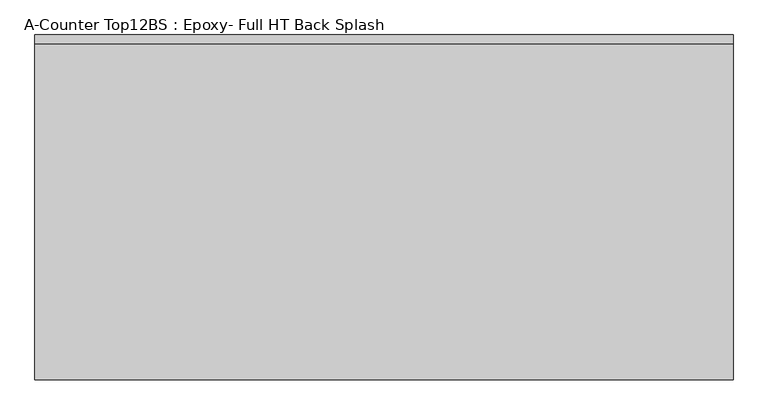
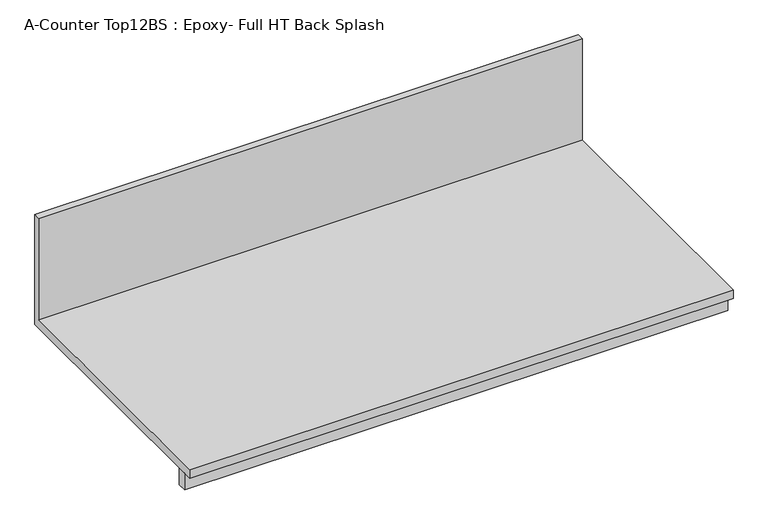
"""IFC4 building model written with IfcOpenShell, lengths in millimetres: furniture geometry, A-Counter Top12BS : Epoxy- Full HT Back Splash."""

from ifc_helpers import new_model, si_unit, frame, origin, place, context, project, spatial, polyline, outline, extrude, source, transform, mapped, element, save


def a_counter_top12bs_epoxy_full_ht_back_splash_ba660549(model_context):
    return source(origin(), model_context, "Body", "SweptSolid", [
        extrude(outline(polyline([(0.0, 1244.6), (0.0, 914.4), (-762.0, 914.4), (-762.0, 939.8), (-19.05, 939.8), (-19.05, 1244.6), (0.0, 1244.6)])), frame((-1327.4622951, 0.0, 0.0), z_axis=(1.0, 0.0, 0.0), x_axis=(0.0, 1.0, 0.0)), (0.0, 0.0, 1.0), 1543.05),
        extrude(outline(polyline([(215.5877049, -711.2), (215.5877049, -736.6), (-1327.4622951, -736.6), (-1327.4622951, -711.2), (215.5877049, -711.2)])), frame((0.0, 0.0, 863.6), z_axis=(0.0, 0.0, 1.0), x_axis=(1.0, 0.0, 0.0)), (0.0, 0.0, 1.0), 50.8),
    ])


if __name__ == "__main__":
    model = new_model("IFC4")
    model_context = context("Model", 3, world=origin())
    ifc_project = project(units=[si_unit("LENGTHUNIT", "METRE", prefix="MILLI")], contexts=[model_context])
    site = spatial("IfcSite", under=ifc_project)
    building = spatial("IfcBuilding", under=site)
    placement = place(None, origin())
    a_counter_top12bs_epoxy_full_ht_back_splash_shape = a_counter_top12bs_epoxy_full_ht_back_splash_ba660549(model_context)
    element("IfcFurniture", 1, ObjectType="A-Counter Top12BS : Epoxy- Full HT Back Splash", at=placement, inside=building, context=model_context, shape_type="MappedRepresentation", body=[
        mapped(a_counter_top12bs_epoxy_full_ht_back_splash_shape, transform((0.0, 0.0, 0.0), x_axis=(1.0, 0.0, 0.0), y_axis=(0.0, 1.0, 0.0), z_axis=(0.0, 0.0, 1.0))),
    ])
    save(model, "model.ifc")
